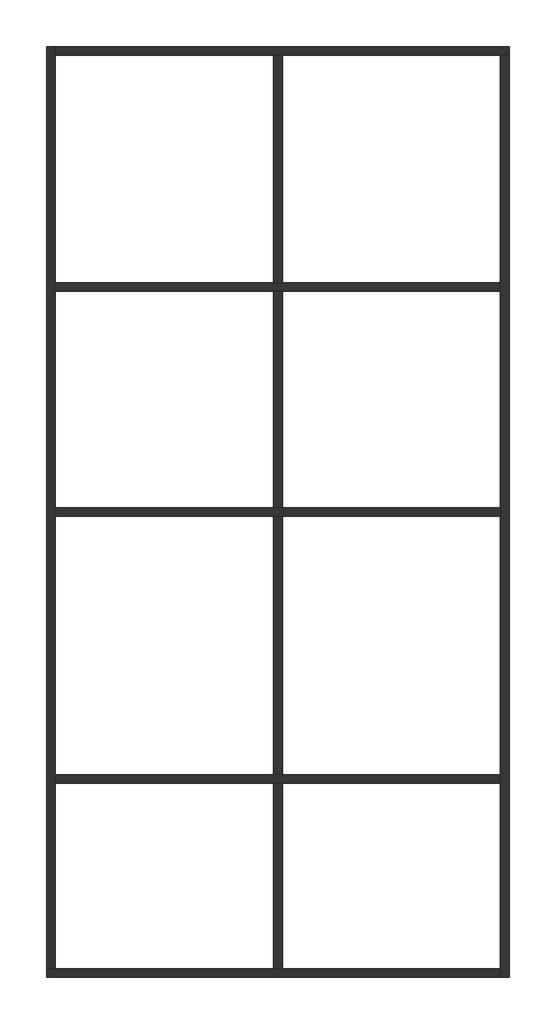
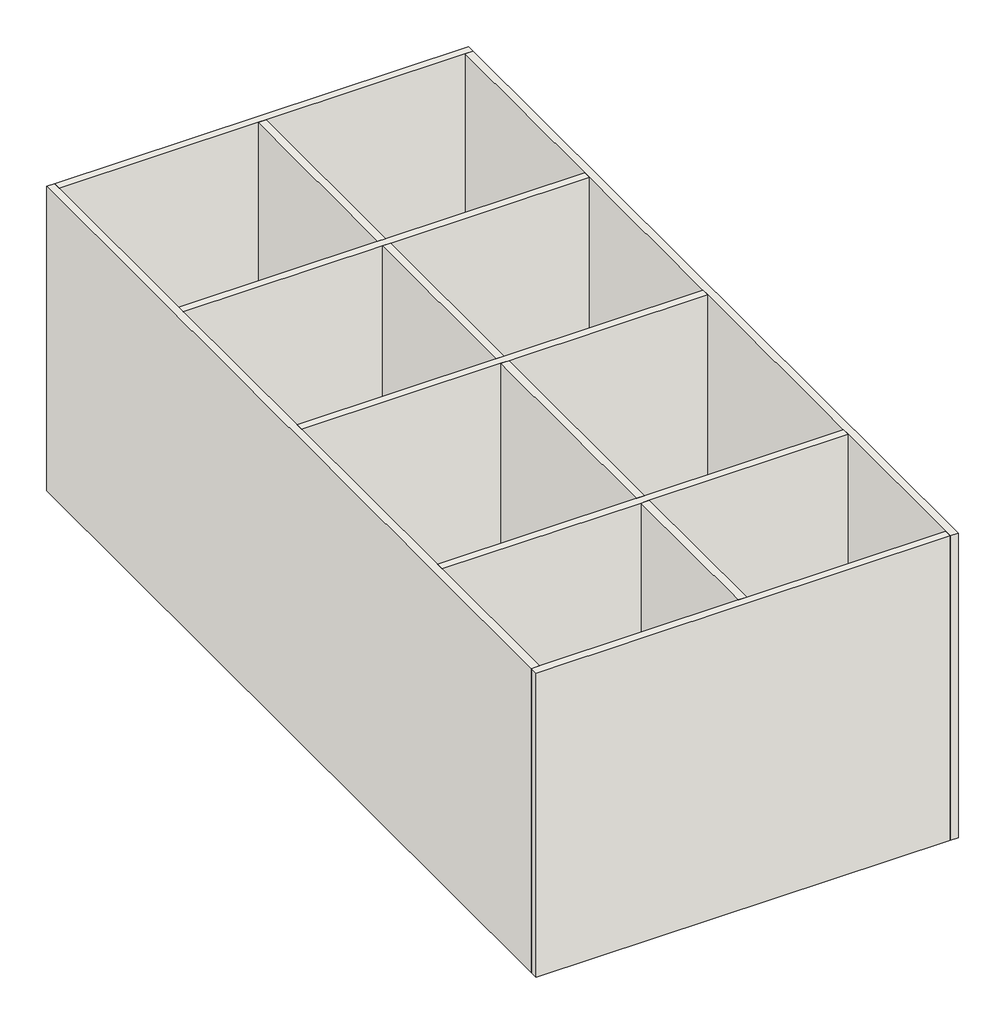
# One storey: 8 walls.
"""IFC4 building model written with IfcOpenShell, lengths in millimetres."""

from ifc_helpers import new_model, si_unit, origin, origin_with_axes, place, context, project, spatial, polyline, outline, extrude, faceted_brep, element, save

model = new_model("IFC4")

# Units and contexts
model_context = context("Model", 3, world=origin())
ifc_project = project(units=[si_unit("LENGTHUNIT", "METRE", prefix="MILLI")], contexts=[model_context])

# Site, building, storey
site = spatial("IfcSite", under=ifc_project)
building = spatial("IfcBuilding", under=site)
storey = spatial("IfcBuildingStorey", under=building, Elevation=0.0)

# Walls
placement = place(None, origin())
element("IfcWall", 1, at=placement, inside=storey, context=model_context, shape_type="Brep", body=[
    faceted_brep([(-16047.4127974, -5171.4804182, 0.0), (-5747.4127974, -5171.4804182, 0.0), (-5747.4127974, -5171.4804182, 8000.0), (-16047.4127974, -5171.4804182, 8000.0), (-16047.4127974, -4971.4804182, 0.0), (-16047.4127974, -4971.4804182, 8000.0), (-15847.4127974, -4971.4804182, 8000.0), (-10897.4127974, -4971.4804182, 8000.0), (-10697.4127974, -4971.4804182, 8000.0), (-5747.4127974, -4971.4804182, 8000.0), (-5747.4127974, -4971.4804182, 0.0), (-10697.4127974, -4971.4804182, 0.0), (-10897.4127974, -4971.4804182, 0.0), (-15847.4127974, -4971.4804182, 0.0)], [[[0, 1, 2, 3]], [[4, 5, 6, 7, 8, 9, 10, 11, 12, 13]], [[1, 0, 4, 13, 12, 11, 10]], [[3, 2, 9, 8, 7, 6, 5]], [[0, 3, 5, 4]], [[2, 1, 10, 9]]]),
])
element("IfcWall", 2, at=placement, inside=storey, context=model_context, shape_type="Brep", body=[
    faceted_brep([(-16047.4127974, 15928.5195818, 0.0), (-16047.4127974, -4971.4804182, 0.0), (-16047.4127974, -4971.4804182, 8000.0), (-16047.4127974, 15928.5195818, 8000.0), (-15847.4127974, 15928.5195818, 0.0), (-15847.4127974, 15928.5195818, 8000.0), (-15847.4127974, 15728.5195818, 8000.0), (-15847.4127974, 10578.5195818, 8000.0), (-15847.4127974, 10378.5195818, 8000.0), (-15847.4127974, 5478.5195818, 8000.0), (-15847.4127974, 5278.5195818, 8000.0), (-15847.4127974, -571.4804182, 8000.0), (-15847.4127974, -771.4804182, 8000.0), (-15847.4127974, -4971.4804182, 8000.0), (-15847.4127974, -4971.4804182, 0.0), (-15847.4127974, -771.4804182, 0.0), (-15847.4127974, -571.4804182, 0.0), (-15847.4127974, 5278.5195818, 0.0), (-15847.4127974, 5478.5195818, 0.0), (-15847.4127974, 10378.5195818, 0.0), (-15847.4127974, 10578.5195818, 0.0), (-15847.4127974, 15728.5195818, 0.0)], [[[0, 1, 2, 3]], [[4, 5, 6, 7, 8, 9, 10, 11, 12, 13, 14, 15, 16, 17, 18, 19, 20, 21]], [[1, 0, 4, 21, 20, 19, 18, 17, 16, 15, 14]], [[3, 2, 13, 12, 11, 10, 9, 8, 7, 6, 5]], [[0, 3, 5, 4]], [[2, 1, 14, 13]]]),
])
element("IfcWall", 3, at=placement, inside=storey, context=model_context, shape_type="Brep", body=[
    faceted_brep([(-5547.4127974, 15928.5195818, 0.0), (-15847.4127974, 15928.5195818, 0.0), (-15847.4127974, 15928.5195818, 8000.0), (-5547.4127974, 15928.5195818, 8000.0), (-5547.4127974, 15728.5195818, 0.0), (-5547.4127974, 15728.5195818, 8000.0), (-5747.4127974, 15728.5195818, 8000.0), (-10697.4127974, 15728.5195818, 8000.0), (-10897.4127974, 15728.5195818, 8000.0), (-15847.4127974, 15728.5195818, 8000.0), (-15847.4127974, 15728.5195818, 0.0), (-10897.4127974, 15728.5195818, 0.0), (-10697.4127974, 15728.5195818, 0.0), (-5747.4127974, 15728.5195818, 0.0)], [[[0, 1, 2, 3]], [[4, 5, 6, 7, 8, 9, 10, 11, 12, 13]], [[1, 0, 4, 13, 12, 11, 10]], [[3, 2, 9, 8, 7, 6, 5]], [[0, 3, 5, 4]], [[2, 1, 10, 9]]]),
])
element("IfcWall", 4, at=placement, inside=storey, context=model_context, shape_type="Brep", body=[
    faceted_brep([(-5547.4127974, -5171.4804182, 0.0), (-5547.4127974, 15728.5195818, 0.0), (-5547.4127974, 15728.5195818, 8000.0), (-5547.4127974, -5171.4804182, 8000.0), (-5747.4127974, -5171.4804182, 0.0), (-5747.4127974, -5171.4804182, 8000.0), (-5747.4127974, -4971.4804182, 8000.0), (-5747.4127974, -771.4804182, 8000.0), (-5747.4127974, -571.4804182, 8000.0), (-5747.4127974, 5278.5195818, 8000.0), (-5747.4127974, 5478.5195818, 8000.0), (-5747.4127974, 10378.5195818, 8000.0), (-5747.4127974, 10578.5195818, 8000.0), (-5747.4127974, 15728.5195818, 8000.0), (-5747.4127974, 15728.5195818, 0.0), (-5747.4127974, 10578.5195818, 0.0), (-5747.4127974, 10378.5195818, 0.0), (-5747.4127974, 5478.5195818, 0.0), (-5747.4127974, 5278.5195818, 0.0), (-5747.4127974, -571.4804182, 0.0), (-5747.4127974, -771.4804182, 0.0), (-5747.4127974, -4971.4804182, 0.0)], [[[0, 1, 2, 3]], [[4, 5, 6, 7, 8, 9, 10, 11, 12, 13, 14, 15, 16, 17, 18, 19, 20, 21]], [[1, 0, 4, 21, 20, 19, 18, 17, 16, 15, 14]], [[3, 2, 13, 12, 11, 10, 9, 8, 7, 6, 5]], [[0, 3, 5, 4]], [[2, 1, 14, 13]]]),
])
element("IfcWall", 5, at=placement, inside=storey, context=model_context, shape_type="Brep", body=[
    faceted_brep([(-15847.4127974, -771.4804182, 0.0), (-10897.4127974, -771.4804182, 0.0), (-10697.4127974, -771.4804182, 0.0), (-5747.4127974, -771.4804182, 0.0), (-5747.4127974, -771.4804182, 8000.0), (-10697.4127974, -771.4804182, 8000.0), (-10897.4127974, -771.4804182, 8000.0), (-15847.4127974, -771.4804182, 8000.0), (-15847.4127974, -571.4804182, 0.0), (-15847.4127974, -571.4804182, 8000.0), (-10897.4127974, -571.4804182, 8000.0), (-10697.4127974, -571.4804182, 8000.0), (-5747.4127974, -571.4804182, 8000.0), (-5747.4127974, -571.4804182, 0.0), (-10697.4127974, -571.4804182, 0.0), (-10897.4127974, -571.4804182, 0.0)], [[[0, 1, 2, 3, 4, 5, 6, 7]], [[8, 9, 10, 11, 12, 13, 14, 15]], [[3, 2, 1, 0, 8, 15, 14, 13]], [[7, 6, 5, 4, 12, 11, 10, 9]], [[0, 7, 9, 8]], [[4, 3, 13, 12]]]),
])
element("IfcWall", 6, at=placement, inside=storey, context=model_context, shape_type="Brep", body=[
    faceted_brep([(-15847.4127974, 5278.5195818, 0.0), (-10897.4127974, 5278.5195818, 0.0), (-10697.4127974, 5278.5195818, 0.0), (-5747.4127974, 5278.5195818, 0.0), (-5747.4127974, 5278.5195818, 8000.0), (-10697.4127974, 5278.5195818, 8000.0), (-10897.4127974, 5278.5195818, 8000.0), (-15847.4127974, 5278.5195818, 8000.0), (-15847.4127974, 5478.5195818, 0.0), (-15847.4127974, 5478.5195818, 8000.0), (-10897.4127974, 5478.5195818, 8000.0), (-10697.4127974, 5478.5195818, 8000.0), (-5747.4127974, 5478.5195818, 8000.0), (-5747.4127974, 5478.5195818, 0.0), (-10697.4127974, 5478.5195818, 0.0), (-10897.4127974, 5478.5195818, 0.0)], [[[0, 1, 2, 3, 4, 5, 6, 7]], [[8, 9, 10, 11, 12, 13, 14, 15]], [[3, 2, 1, 0, 8, 15, 14, 13]], [[7, 6, 5, 4, 12, 11, 10, 9]], [[0, 7, 9, 8]], [[4, 3, 13, 12]]]),
])
element("IfcWall", 7, at=placement, inside=storey, context=model_context, shape_type="Brep", body=[
    faceted_brep([(-15847.4127974, 10378.5195818, 0.0), (-10897.4127974, 10378.5195818, 0.0), (-10697.4127974, 10378.5195818, 0.0), (-5747.4127974, 10378.5195818, 0.0), (-5747.4127974, 10378.5195818, 8000.0), (-10697.4127974, 10378.5195818, 8000.0), (-10897.4127974, 10378.5195818, 8000.0), (-15847.4127974, 10378.5195818, 8000.0), (-15847.4127974, 10578.5195818, 0.0), (-15847.4127974, 10578.5195818, 8000.0), (-10897.4127974, 10578.5195818, 8000.0), (-10697.4127974, 10578.5195818, 8000.0), (-5747.4127974, 10578.5195818, 8000.0), (-5747.4127974, 10578.5195818, 0.0), (-10697.4127974, 10578.5195818, 0.0), (-10897.4127974, 10578.5195818, 0.0)], [[[0, 1, 2, 3, 4, 5, 6, 7]], [[8, 9, 10, 11, 12, 13, 14, 15]], [[3, 2, 1, 0, 8, 15, 14, 13]], [[7, 6, 5, 4, 12, 11, 10, 9]], [[0, 7, 9, 8]], [[4, 3, 13, 12]]]),
])
element("IfcWall", 8, at=placement, inside=storey, context=model_context, shape_type="SweptSolid", body=[
    extrude(outline(polyline([(-10697.4127974, -4971.4804182), (-10897.4127974, -4971.4804182), (-10897.4127974, -771.4804182), (-10697.4127974, -771.4804182), (-10697.4127974, -4971.4804182)])), origin_with_axes(), (0.0, 0.0, 1.0), 8000.0),
    extrude(outline(polyline([(-10897.4127974, 15728.5195818), (-10697.4127974, 15728.5195818), (-10697.4127974, 10578.5195818), (-10897.4127974, 10578.5195818), (-10897.4127974, 15728.5195818)])), origin_with_axes(), (0.0, 0.0, 1.0), 8000.0),
    extrude(outline(polyline([(-10697.4127974, -571.4804182), (-10897.4127974, -571.4804182), (-10897.4127974, 5278.5195818), (-10697.4127974, 5278.5195818), (-10697.4127974, -571.4804182)])), origin_with_axes(), (0.0, 0.0, 1.0), 8000.0),
    extrude(outline(polyline([(-10697.4127974, 5478.5195818), (-10897.4127974, 5478.5195818), (-10897.4127974, 10378.5195818), (-10697.4127974, 10378.5195818), (-10697.4127974, 5478.5195818)])), origin_with_axes(), (0.0, 0.0, 1.0), 8000.0),
])

save(model, "model.ifc")
